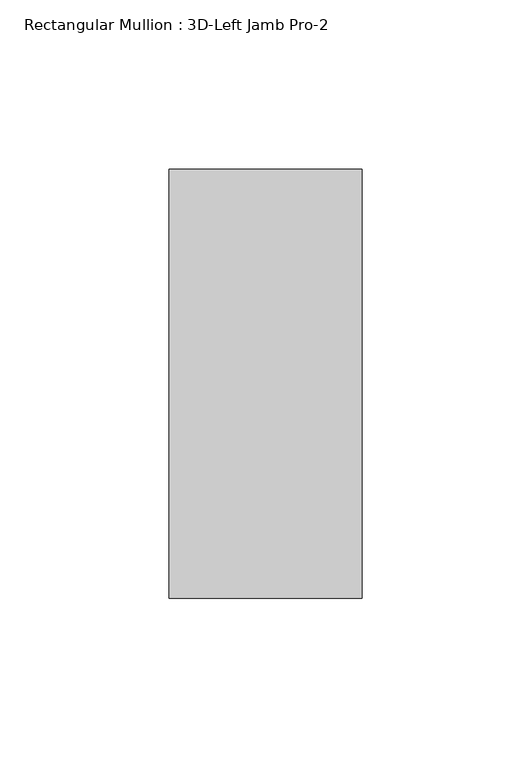
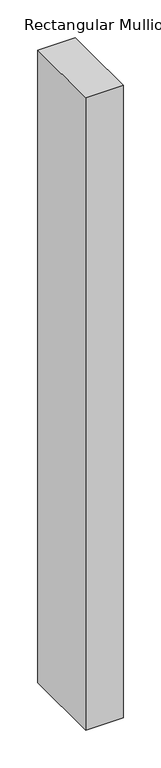
"""IFC4 building model written with IfcOpenShell, lengths in millimetres: member geometry, Rectangular Mullion : 3D-Left Jamb Pro-2."""

from ifc_helpers import new_model, si_unit, frame, origin, place, context, project, spatial, polyline, outline, extrude, source, transform, mapped, element, save


def rectangular_mullion_3d_left_jamb_pro_2_fc0123ff(model_context):
    return source(origin(), model_context, "Body", "SweptSolid", [
        extrude(outline(polyline([(-57.15, 52.3875), (0.0, 52.3875), (0.0, 10.276747), (0.0, -74.6125), (-57.15, -74.6125), (-57.15, 52.3875)])), frame((0.0, 0.0, -1022.35), z_axis=(0.0, 0.0, 1.0), x_axis=(1.0, 0.0, 0.0)), (0.0, 0.0, 1.0), 1022.35),
    ])


if __name__ == "__main__":
    model = new_model("IFC4")
    model_context = context("Model", 3, world=origin())
    ifc_project = project(units=[si_unit("LENGTHUNIT", "METRE", prefix="MILLI")], contexts=[model_context])
    site = spatial("IfcSite", under=ifc_project)
    building = spatial("IfcBuilding", under=site)
    placement = place(None, origin())
    rectangular_mullion_3d_left_jamb_pro_2_shape = rectangular_mullion_3d_left_jamb_pro_2_fc0123ff(model_context)
    element("IfcMember", 1, ObjectType="Rectangular Mullion : 3D-Left Jamb Pro-2", at=placement, inside=building, context=model_context, shape_type="MappedRepresentation", body=[
        mapped(rectangular_mullion_3d_left_jamb_pro_2_shape, transform((0.0, 0.0, 0.0), x_axis=(1.0, 0.0, 0.0), y_axis=(0.0, 1.0, 0.0), z_axis=(0.0, 0.0, 1.0))),
    ])
    save(model, "model.ifc")
